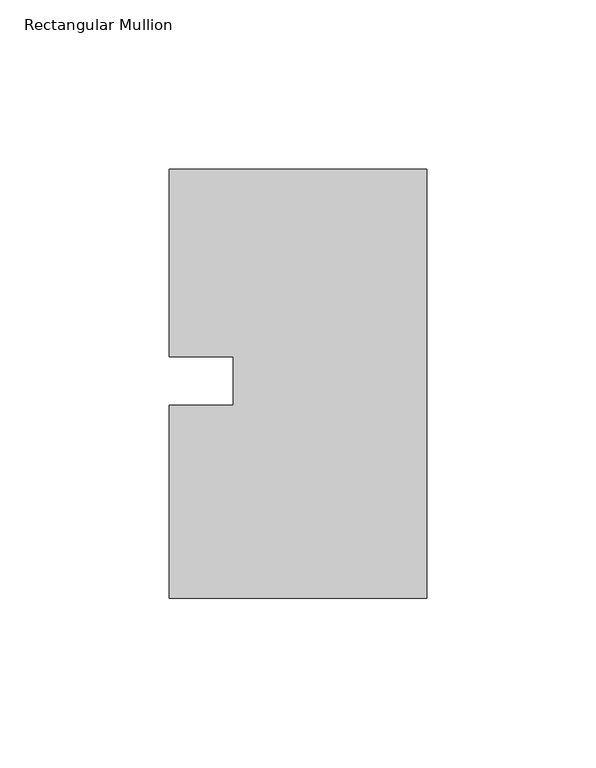
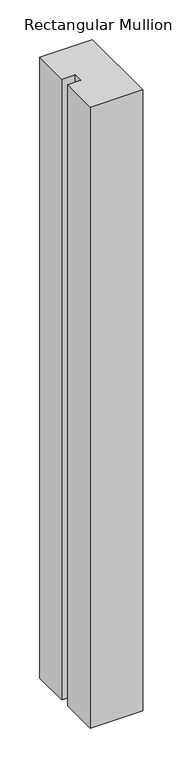
"""IFC4 building model written with IfcOpenShell, lengths in millimetres: member geometry, Rectangular Mullion."""

from ifc_helpers import new_model, si_unit, frame, origin, place, context, project, spatial, polyline, outline, extrude, source, transform, mapped, element, save


def rectangular_mullion_3dcb0897(model_context):
    return source(origin(), model_context, "Body", "SweptSolid", [
        extrude(outline(polyline([(-76.2, 62.70625), (0.0, 62.70625), (0.0, -64.29375), (-76.2, -64.29375), (-76.2, -7.14375), (-57.15, -7.14375), (-57.15, 7.14375), (-76.2, 7.14375), (-76.2, 62.70625)])), frame((0.0, 0.0, -952.5), z_axis=(0.0, 0.0, 1.0), x_axis=(1.0, 0.0, 0.0)), (0.0, 0.0, 1.0), 952.5),
    ])


if __name__ == "__main__":
    model = new_model("IFC4")
    model_context = context("Model", 3, world=origin())
    ifc_project = project(units=[si_unit("LENGTHUNIT", "METRE", prefix="MILLI")], contexts=[model_context])
    site = spatial("IfcSite", under=ifc_project)
    building = spatial("IfcBuilding", under=site)
    placement = place(None, origin())
    rectangular_mullion_shape = rectangular_mullion_3dcb0897(model_context)
    element("IfcMember", 1, ObjectType="Rectangular Mullion", at=placement, inside=building, context=model_context, shape_type="MappedRepresentation", body=[
        mapped(rectangular_mullion_shape, transform((0.0, 0.0, 0.0), x_axis=(1.0, 0.0, 0.0), y_axis=(0.0, 1.0, 0.0), z_axis=(0.0, 0.0, 1.0))),
    ])
    save(model, "model.ifc")
